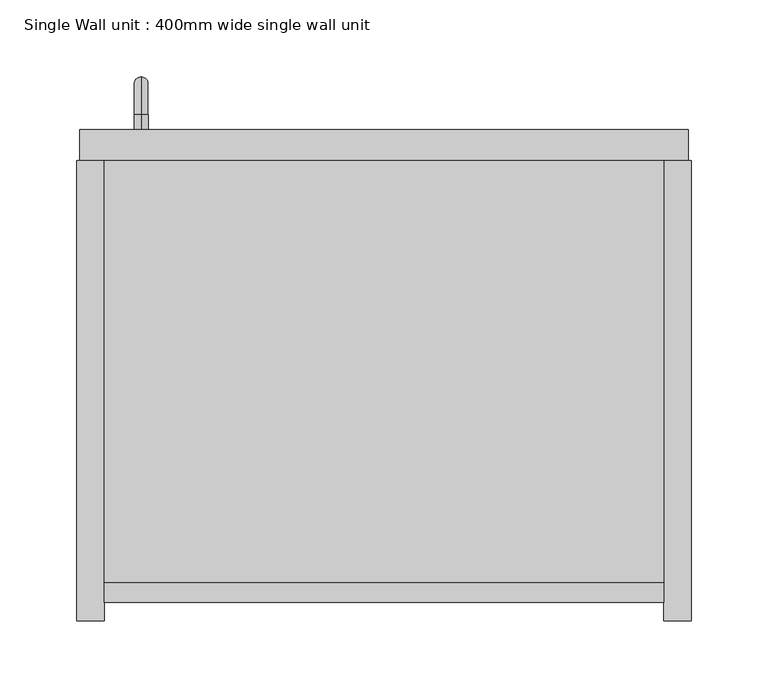
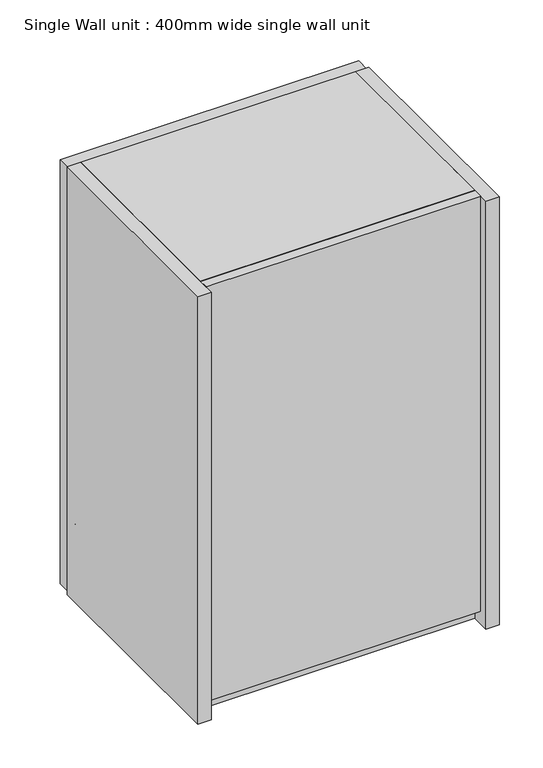
"""IFC4 building model written with IfcOpenShell, lengths in millimetres: furniture geometry, Single Wall unit : 400mm wide single wall unit."""

from ifc_helpers import new_model, si_unit, point, frame, origin, place, context, project, spatial, polyline, circle_curve, ellipse_curve, trimmed, outline, extrude, source, transform, mapped, element, save
from ifc_brep_helpers import plane_surface, cylinder_surface, revolved_surface, advanced_brep


def single_wall_unit_400mm_wide_single_wall_unit_a50b8cab(model_context):
    return source(origin(), model_context, "Body", "SolidModel", [
        advanced_brep(
        [(166.875, 320.4, 1674.5), (166.875, 320.4, 1665.5), (166.875, 330.4, 1674.5), (166.875, 330.4, 1665.5), (166.875, 345.9, 1650.0), (166.875, 354.9, 1650.0), (166.875, 354.9, 1570.0), (166.875, 345.9, 1570.0), (166.875, 330.4, 1554.5), (166.875, 330.4, 1545.5), (166.875, 320.4, 1545.5), (166.875, 320.4, 1554.5)],
        [
            (0, 1, circle_curve(frame((166.875, 320.4, 1670.0), z_axis=(0.0, -1.0, 0.0), x_axis=(0.0, 0.0, -1.0)), 4.5)),
            (1, 0, circle_curve(frame((166.875, 320.4, 1670.0), z_axis=(0.0, -1.0, 0.0), x_axis=(0.0, 0.0, -1.0)), 4.5)),
            (0, 2),
            (2, 3, circle_curve(frame((166.875, 330.4, 1670.0), z_axis=(0.0, -1.0, 0.0), x_axis=(0.0, 0.0, -1.0)), 4.5)),
            (3, 1),
            (3, 2, circle_curve(frame((166.875, 330.4, 1670.0), z_axis=(0.0, -1.0, 0.0), x_axis=(0.0, 0.0, -1.0)), 4.5)),
            (4, 3, circle_curve(frame((166.875, 330.4, 1650.0), z_axis=(1.0, 0.0, 0.0), x_axis=(0.0, 0.0, 1.0)), 15.5)),
            (2, 5, circle_curve(frame((166.875, 330.4, 1650.0), z_axis=(-1.0, 0.0, 0.0), x_axis=(0.0, 0.0, 1.0)), 24.5)),
            (5, 4, circle_curve(frame((166.875, 350.4, 1650.0), z_axis=(0.0, 0.0, 1.0), x_axis=(0.0, -1.0, 0.0)), 4.5)),
            (4, 5, circle_curve(frame((166.875, 350.4, 1650.0), z_axis=(0.0, 0.0, 1.0), x_axis=(0.0, -1.0, 0.0)), 4.5)),
            (5, 6),
            (6, 7, circle_curve(frame((166.875, 350.4, 1570.0), z_axis=(0.0, 0.0, 1.0), x_axis=(0.0, -1.0, 0.0)), 4.5)),
            (7, 4),
            (7, 6, circle_curve(frame((166.875, 350.4, 1570.0), z_axis=(0.0, 0.0, 1.0), x_axis=(0.0, -1.0, 0.0)), 4.5)),
            (8, 7, circle_curve(frame((166.875, 330.4, 1570.0), z_axis=(1.0, 0.0, 0.0), x_axis=(0.0, 1.0, 0.0)), 15.5)),
            (6, 9, circle_curve(frame((166.875, 330.4, 1570.0), z_axis=(-1.0, 0.0, 0.0), x_axis=(0.0, 1.0, 0.0)), 24.5)),
            (9, 8, circle_curve(frame((166.875, 330.4, 1550.0), z_axis=(0.0, 1.0, 0.0), x_axis=(0.0, 0.0, 1.0)), 4.5)),
            (8, 9, circle_curve(frame((166.875, 330.4, 1550.0), z_axis=(0.0, 1.0, 0.0), x_axis=(0.0, 0.0, 1.0)), 4.5)),
            (10, 11, circle_curve(frame((166.875, 320.4, 1550.0), z_axis=(0.0, -1.0, 0.0), x_axis=(0.0, 0.0, 1.0)), 4.5)),
            (11, 10, circle_curve(frame((166.875, 320.4, 1550.0), z_axis=(0.0, -1.0, 0.0), x_axis=(0.0, 0.0, 1.0)), 4.5)),
            (9, 10),
            (11, 8),
        ],
        [
            plane_surface(frame((166.875, 320.4, 1670.0), z_axis=(0.0, -1.0, 0.0), x_axis=(-1.0, 0.0, 0.0))),
            cylinder_surface(frame((166.875, 320.4, 1670.0), z_axis=(0.0, -1.0, 0.0), x_axis=(0.0, 0.0, -1.0)), 4.5),
            revolved_surface(trimmed(ellipse_curve(frame((166.875, 330.4, 1670.0), z_axis=(0.0, -1.0, 0.0), x_axis=(0.0, 0.0, -1.0)), 4.5, 4.5), [point((166.875, 330.4, 1674.5))], [point((166.875, 330.4, 1665.5))], True, "CARTESIAN"), (166.875, 330.4, 1650.0), (-1.0, 0.0, 0.0)),
            revolved_surface(trimmed(ellipse_curve(frame((166.875, 330.4, 1670.0), z_axis=(0.0, -1.0, 0.0), x_axis=(0.0, 0.0, -1.0)), 4.5, 4.5), [point((166.875, 330.4, 1665.5))], [point((166.875, 330.4, 1674.5))], True, "CARTESIAN"), (166.875, 330.4, 1650.0), (-1.0, 0.0, 0.0)),
            cylinder_surface(frame((166.875, 350.4, 1650.0), z_axis=(0.0, 0.0, 1.0), x_axis=(0.0, -1.0, 0.0)), 4.5),
            revolved_surface(trimmed(ellipse_curve(frame((166.875, 350.4, 1570.0), z_axis=(0.0, 0.0, 1.0), x_axis=(0.0, -1.0, 0.0)), 4.5, 4.5), [point((166.875, 354.9, 1570.0))], [point((166.875, 345.9, 1570.0))], True, "CARTESIAN"), (166.875, 330.4, 1570.0), (-1.0, 0.0, 0.0)),
            revolved_surface(trimmed(ellipse_curve(frame((166.875, 350.4, 1570.0), z_axis=(0.0, 0.0, 1.0), x_axis=(0.0, -1.0, 0.0)), 4.5, 4.5), [point((166.875, 345.9, 1570.0))], [point((166.875, 354.9, 1570.0))], True, "CARTESIAN"), (166.875, 330.4, 1570.0), (-1.0, 0.0, 0.0)),
            plane_surface(frame((166.875, 320.4, 1550.0), z_axis=(0.0, -1.0, 0.0), x_axis=(-1.0, 0.0, 0.0))),
            cylinder_surface(frame((166.875, 330.4, 1550.0), z_axis=(0.0, 1.0, 0.0), x_axis=(0.0, 0.0, 1.0)), 4.5),
        ],
        [
            (0, [[1, 2]]),
            (1, [[-1, 3, 4, 5]]),
            (1, [[-2, -5, 6, -3]]),
            (2, [[7, -4, 8, 9]]),
            (3, [[-8, -6, -7, 10]]),
            (4, [[-9, 11, 12, 13]]),
            (4, [[-10, -13, 14, -11]]),
            (5, [[15, -12, 16, 17]]),
            (6, [[-16, -14, -15, 18]]),
            (7, [[19, 20]]),
            (8, [[-17, 21, -20, 22]]),
            (8, [[-18, -22, -19, -21]]),
        ],
    ),
        extrude(outline(polyline([(507.0, 25.4), (143.0, 25.4), (143.0, 300.4), (507.0, 300.4), (507.0, 25.4)])), frame((0.0, 0.0, 1500.0), z_axis=(0.0, 0.0, 1.0), x_axis=(1.0, 0.0, 0.0)), (0.0, 0.0, 1.0), 18.0),
        extrude(outline(polyline([(507.0, 25.4), (143.0, 25.4), (143.0, 300.4), (507.0, 300.4), (507.0, 25.4)])), frame((0.0, 0.0, 2082.0), z_axis=(0.0, 0.0, 1.0), x_axis=(1.0, 0.0, 0.0)), (0.0, 0.0, 1.0), 18.0),
        extrude(outline(polyline([(523.0, 320.4), (523.0, 300.4), (127.0, 300.4), (127.0, 320.4), (523.0, 320.4)])), frame((0.0, 0.0, 1502.8302988), z_axis=(0.0, 0.0, 1.0), x_axis=(1.0, 0.0, 0.0)), (0.0, 0.0, 1.0), 594.3276989),
        extrude(outline(polyline([(507.0, 25.4), (507.0, 12.4), (143.0, 12.4), (143.0, 25.4), (507.0, 25.4)])), frame((0.0, 0.0, 1518.0), z_axis=(0.0, 0.0, 1.0), x_axis=(1.0, 0.0, 0.0)), (0.0, 0.0, 1.0), 582.0),
        extrude(outline(polyline([(143.0, 0.4), (125.0, 0.4), (125.0, 300.4), (143.0, 300.4), (143.0, 0.4)])), frame((0.0, 0.0, 1500.0), z_axis=(0.0, 0.0, 1.0), x_axis=(1.0, 0.0, 0.0)), (0.0, 0.0, 1.0), 600.0),
        extrude(outline(polyline([(525.0, 0.4), (507.0, 0.4), (507.0, 300.4), (525.0, 300.4), (525.0, 0.4)])), frame((0.0, 0.0, 1500.0), z_axis=(0.0, 0.0, 1.0), x_axis=(1.0, 0.0, 0.0)), (0.0, 0.0, 1.0), 600.0),
    ])


if __name__ == "__main__":
    model = new_model("IFC4")
    model_context = context("Model", 3, world=origin())
    ifc_project = project(units=[si_unit("LENGTHUNIT", "METRE", prefix="MILLI")], contexts=[model_context])
    site = spatial("IfcSite", under=ifc_project)
    building = spatial("IfcBuilding", under=site)
    placement = place(None, origin())
    single_wall_unit_400mm_wide_single_wall_unit_shape = single_wall_unit_400mm_wide_single_wall_unit_a50b8cab(model_context)
    element("IfcFurniture", 1, ObjectType="Single Wall unit : 400mm wide single wall unit", at=placement, inside=building, context=model_context, shape_type="MappedRepresentation", body=[
        mapped(single_wall_unit_400mm_wide_single_wall_unit_shape, transform((0.0, 0.0, 0.0), x_axis=(1.0, 0.0, 0.0), y_axis=(0.0, 1.0, 0.0), z_axis=(0.0, 0.0, 1.0))),
    ])
    save(model, "model.ifc")
